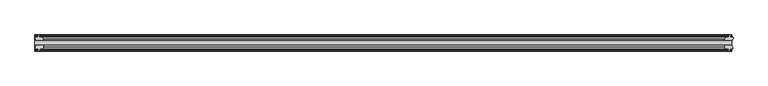
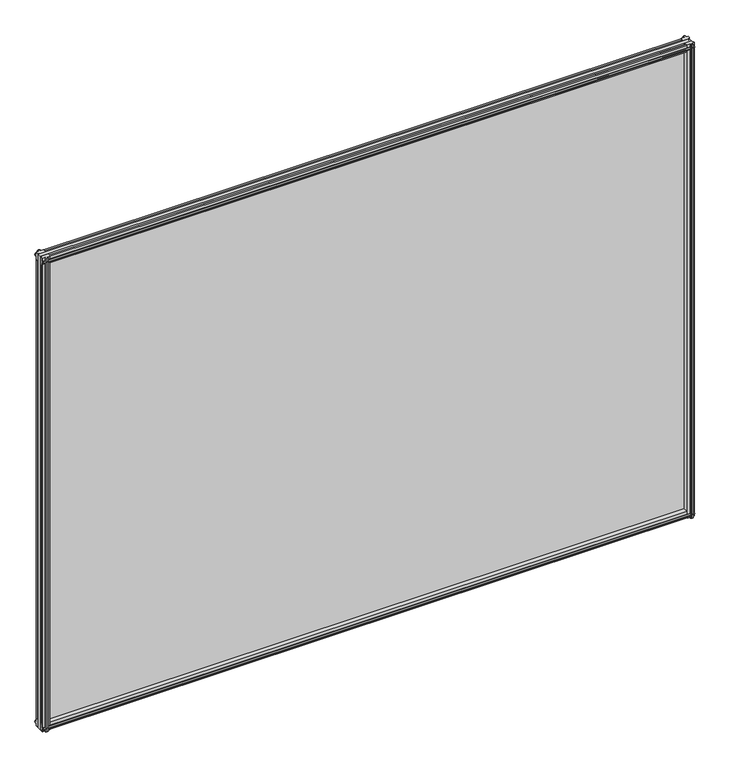
"""IFC4 building model written with IfcOpenShell, lengths in millimetres: plate geometry."""

from ifc_helpers import new_model, si_unit, frame, origin, place, context, project, spatial, polyline, outline, extrude, source, transform, mapped, element, save


def plate_2f6d77ce(model_context):
    return source(origin(), model_context, "Body", "SweptSolid", [
        extrude(outline(polyline([(-542.2615425, -19.5460937), (581.6513863, -19.5460937), (581.6513863, -25.8960937), (-542.2615425, -25.8960937), (-542.2615425, -19.5460937)])), frame((0.0, 0.0, -12.7), z_axis=(0.0, 0.0, 1.0), x_axis=(1.0, 0.0, 0.0)), (0.0, 0.0, 1.0), 863.6),
        extrude(outline(polyline([(580.7602838, -25.8960937), (582.97298, -29.2996938), (582.97298, -32.2460938), (578.52798, -32.2460938), (578.14698, -34.6262907), (579.5625091, -34.1663575), (579.5625091, -34.9675717), (577.38498, -35.6750938), (575.207451, -34.9675717), (575.207451, -34.1663575), (576.62298, -34.6262907), (576.24198, -32.2460938), (571.03498, -32.2460938), (568.9297029, -25.8960937), (580.7602838, -25.8960937)])), frame((0.0, 0.0, -12.7), z_axis=(0.0, 0.0, 1.0), x_axis=(1.0, 0.0, 0.0)), (0.0, 0.0, 1.0), 863.6),
        extrude(outline(polyline([(575.728151, -10.4746158), (577.90568, -9.7670938), (580.0832091, -10.4746158), (580.0832091, -11.27583), (578.66768, -10.8158968), (579.04868, -13.1960938), (583.49368, -13.1960938), (583.49368, -16.1424938), (581.2809838, -19.5460937), (569.4504029, -19.5460937), (571.55568, -13.1960938), (576.76268, -13.1960938), (577.14368, -10.8158968), (575.728151, -11.27583), (575.728151, -10.4746158)])), frame((0.0, 0.0, -12.7), z_axis=(0.0, 0.0, 1.0), x_axis=(1.0, 0.0, 0.0)), (0.0, 0.0, 1.0), 863.6),
        extrude(outline(polyline([(-527.4562654, -25.8960937), (-529.5615425, -32.2460937), (-534.7685425, -32.2460937), (-535.1495425, -34.6262907), (-533.7340135, -34.1663575), (-533.7340135, -34.9675717), (-535.9115425, -35.6750937), (-538.0890716, -34.9675717), (-538.0890716, -34.1663575), (-536.6735425, -34.6262907), (-537.0545425, -32.2460937), (-541.4995425, -32.2460937), (-541.4995425, -29.2996937), (-539.2868463, -25.8960937), (-527.4562654, -25.8960937)])), frame((0.0, 0.0, -12.7), z_axis=(0.0, 0.0, 1.0), x_axis=(1.0, 0.0, 0.0)), (0.0, 0.0, 1.0), 863.6),
        extrude(outline(polyline([(-537.1942425, -10.8158968), (-538.6097716, -11.27583), (-538.6097716, -10.4746158), (-536.4322425, -9.7670937), (-534.2547135, -10.4746158), (-534.2547135, -11.27583), (-535.6702425, -10.8158968), (-535.2892425, -13.1960937), (-530.0822425, -13.1960937), (-527.9769654, -19.5460937), (-539.8075463, -19.5460937), (-542.0202425, -16.1424937), (-542.0202425, -13.1960937), (-537.5752425, -13.1960937), (-537.1942425, -10.8158968)])), frame((0.0, 0.0, -12.7), z_axis=(0.0, 0.0, 1.0), x_axis=(1.0, 0.0, 0.0)), (0.0, 0.0, 1.0), 863.6),
        extrude(outline(polyline([(-13.1960937, 850.6587), (-13.1960937, 846.2137), (-10.8158968, 845.8327), (-11.27583, 847.248229), (-10.4746158, 847.248229), (-9.7670937, 845.0707), (-10.4746158, 842.8931709), (-11.27583, 842.8931709), (-10.8158968, 844.3087), (-13.1960937, 843.9277), (-13.1960937, 838.7207), (-19.5460937, 836.6154229), (-19.5460937, 848.4460038), (-16.1424937, 850.6587), (-13.1960937, 850.6587)])), frame((-542.2615425, 0.0, 0.0), z_axis=(1.0, 0.0, 0.0), x_axis=(0.0, 1.0, 0.0)), (0.0, 0.0, 1.0), 1123.9129288),
        extrude(outline(polyline([(-29.2996937, 850.138), (-25.8960937, 847.9253038), (-25.8960937, 836.0947229), (-32.2460937, 838.2), (-32.2460937, 843.407), (-34.6262907, 843.788), (-34.1663575, 842.3724709), (-34.9675717, 842.3724709), (-35.6750937, 844.55), (-34.9675717, 846.7275291), (-34.1663575, 846.7275291), (-34.6262907, 845.312), (-32.2460937, 845.693), (-32.2460937, 850.138), (-29.2996937, 850.138)])), frame((-542.2615425, 0.0, 0.0), z_axis=(1.0, 0.0, 0.0), x_axis=(0.0, 1.0, 0.0)), (0.0, 0.0, 1.0), 1123.9129288),
        extrude(outline(polyline([(-25.8960937, 2.1052771), (-25.8960937, -9.7253038), (-29.2996937, -11.938), (-32.2460937, -11.938), (-32.2460937, -7.493), (-34.6262907, -7.112), (-34.1663575, -8.5275291), (-34.9675717, -8.5275291), (-35.6750937, -6.35), (-34.9675717, -4.1724709), (-34.1663575, -4.1724709), (-34.6262907, -5.588), (-32.2460937, -5.207), (-32.2460937, 0.0), (-25.8960937, 2.1052771)])), frame((-542.2615425, 0.0, 0.0), z_axis=(1.0, 0.0, 0.0), x_axis=(0.0, 1.0, 0.0)), (0.0, 0.0, 1.0), 1123.9129288),
        extrude(outline(polyline([(-19.5460937, 1.5845771), (-13.1960937, -0.5207), (-13.1960937, -5.7277), (-10.8158968, -6.1087), (-11.27583, -4.6931709), (-10.4746158, -4.6931709), (-9.7670937, -6.8707), (-10.4746158, -9.048229), (-11.27583, -9.048229), (-10.8158968, -7.6327), (-13.1960937, -8.0137), (-13.1960937, -12.4587), (-16.1424937, -12.4587), (-19.5460937, -10.2460038), (-19.5460937, 1.5845771)])), frame((-542.2615425, 0.0, 0.0), z_axis=(1.0, 0.0, 0.0), x_axis=(0.0, 1.0, 0.0)), (0.0, 0.0, 1.0), 1123.9129288),
    ])


if __name__ == "__main__":
    model = new_model("IFC4")
    model_context = context("Model", 3, world=origin())
    ifc_project = project(units=[si_unit("LENGTHUNIT", "METRE", prefix="MILLI")], contexts=[model_context])
    site = spatial("IfcSite", under=ifc_project)
    building = spatial("IfcBuilding", under=site)
    placement = place(None, origin())
    plate_shape = plate_2f6d77ce(model_context)
    element("IfcPlate", 1, at=placement, inside=building, context=model_context, shape_type="MappedRepresentation", body=[
        mapped(plate_shape, transform((0.0, 0.0, 0.0), x_axis=(1.0, 0.0, 0.0), y_axis=(0.0, 1.0, 0.0), z_axis=(0.0, 0.0, 1.0))),
    ])
    save(model, "model.ifc")
